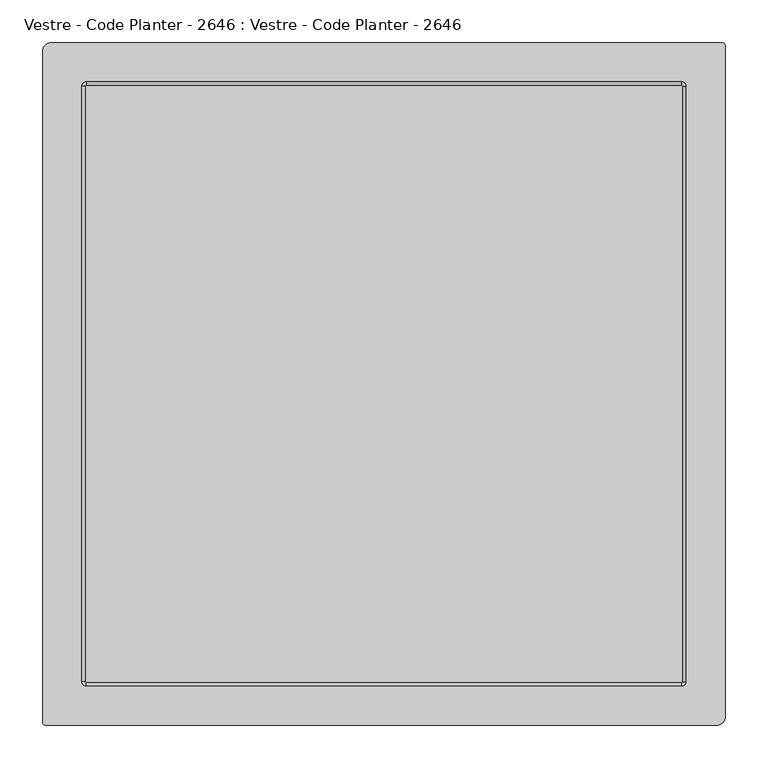
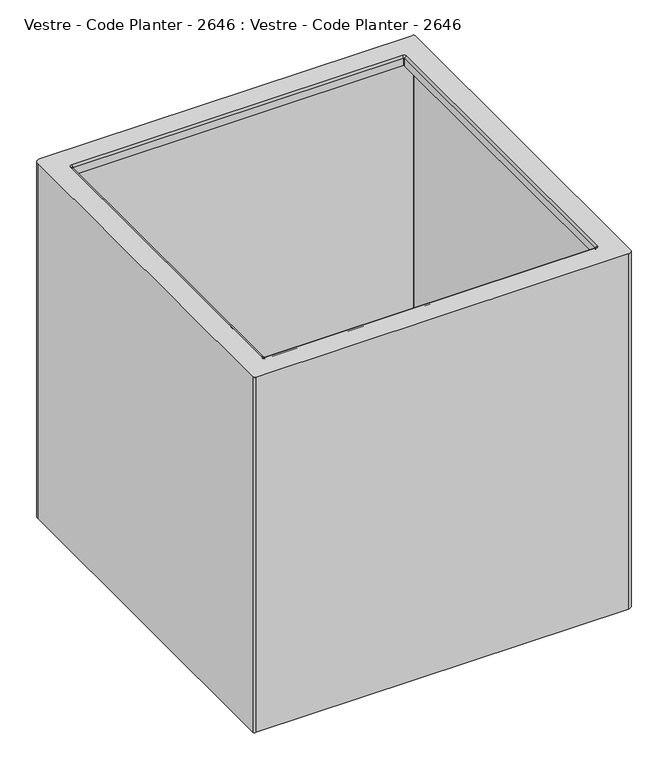
"""IFC4 building model written with IfcOpenShell, lengths in millimetres: furniture geometry, Vestre - Code Planter - 2646 : Vestre - Code Planter - 2646."""

from ifc_helpers import new_model, si_unit, point, frame, origin, place, context, project, spatial, polyline, circle_curve, ellipse_curve, trimmed, source, transform, mapped, element, save
from ifc_brep_helpers import plane_surface, cylinder_surface, revolved_surface, advanced_brep


def vestre_code_planter_2646_vestre_code_planter_2646_bf248767(model_context):
    return source(origin(), model_context, "Body", "AdvancedBrep", [
        advanced_brep(
        [(-390.5, 400.0, 808.475), (-400.5, 390.0, 808.475), (-400.5, -396.0, 808.475), (-396.5, -400.0, 808.475), (389.5, -400.0, 808.475), (399.5, -390.0, 808.475), (399.5, 396.0, 808.475), (395.5, 400.0, 808.475), (348.5, 354.0, 808.475), (353.5, 349.0, 808.475), (353.5, -349.0, 808.475), (348.5, -354.0, 808.475), (-349.5, -354.0, 808.475), (-354.5, -349.0, 808.475), (-354.5, 349.0, 808.475), (-349.5, 354.0, 808.475), (-390.5, 400.0, 16.475), (395.5, 400.0, 16.475), (399.5, 396.0, 16.475), (399.5, -390.0, 16.475), (389.5, -400.0, 16.475), (-396.5, -400.0, 16.475), (-400.5, -396.0, 16.475), (-400.5, 390.0, 16.475), (-371.0, 32.0, 16.475), (-371.0, 52.0, 16.475), (-375.5, 56.5, 16.475), (-380.0, 52.0, 16.475), (-380.0, 32.0, 16.475), (-371.0, -10.0, 16.475), (-371.0, 10.0, 16.475), (-375.5, 14.5, 16.475), (-380.0, 10.0, 16.475), (-380.0, -10.0, 16.475), (-371.0, -52.0, 16.475), (-371.0, -32.0, 16.475), (-375.5, -27.5, 16.475), (-380.0, -32.0, 16.475), (-380.0, -52.0, 16.475), (-32.5, 379.5, 16.475), (-52.5, 379.5, 16.475), (-52.5, 370.5, 16.475), (-32.5, 370.5, 16.475), (9.5, 379.5, 16.475), (-10.5, 379.5, 16.475), (-10.5, 370.5, 16.475), (9.5, 370.5, 16.475), (51.5, 379.5, 16.475), (31.5, 379.5, 16.475), (31.5, 370.5, 16.475), (51.5, 370.5, 16.475), (379.0, 32.0, 16.475), (379.0, 52.0, 16.475), (370.0, 52.0, 16.475), (370.0, 32.0, 16.475), (374.5, 27.5, 16.475), (379.0, -10.0, 16.475), (379.0, 10.0, 16.475), (370.0, 10.0, 16.475), (370.0, -10.0, 16.475), (374.5, -14.5, 16.475), (379.0, -52.0, 16.475), (379.0, -32.0, 16.475), (370.0, -32.0, 16.475), (370.0, -52.0, 16.475), (374.5, -56.5, 16.475), (31.5, -379.5, 16.475), (51.5, -379.5, 16.475), (51.5, -370.5, 16.475), (31.5, -370.5, 16.475), (-10.5, -379.5, 16.475), (9.5, -379.5, 16.475), (9.5, -370.5, 16.475), (-10.5, -370.5, 16.475), (-52.5, -379.5, 16.475), (-32.5, -379.5, 16.475), (-32.5, -370.5, 16.475), (-52.5, -370.5, 16.475), (-390.5, 397.0, 805.475), (-397.5, 390.0, 805.475), (-397.5, 390.0, 19.475), (-390.5, 397.0, 19.475), (395.5102868, 397.0, 805.475), (395.5102868, 397.0, 19.475), (396.5, 396.0102868, 805.475), (396.5, 396.0102868, 19.475), (396.5, -390.0300189, 805.475), (396.5, -390.0300189, 19.475), (389.5300189, -397.0, 805.475), (389.5300189, -397.0, 19.475), (-396.4943346, -397.0, 805.475), (-396.4943346, -397.0, 19.475), (-397.5, -395.9943346, 805.475), (-397.5, -395.9943346, 19.475), (353.5, 349.0, 805.475), (348.5, 354.0, 805.475), (-349.5, 354.0, 805.475), (-354.5, 349.0, 805.475), (-354.5, -349.0, 805.475), (-349.5, -354.0, 805.475), (348.5, -354.0, 805.475), (353.5, -349.0, 805.475), (352.5, 349.0, 788.475), (348.5, 353.0, 788.475), (348.5, 353.0, 804.475), (352.5, 349.0, 804.475), (349.5, 349.0, 804.475), (348.5, 350.0, 804.475), (348.5, 350.0, 788.475), (349.5, 349.0, 788.475), (352.5, -349.0, 804.475), (352.5, -349.0, 788.475), (349.5, -349.0, 788.475), (349.5, -349.0, 804.475), (348.5, -353.0, 804.475), (348.5, -353.0, 788.475), (348.5, -350.0, 788.475), (348.5, -350.0, 804.475), (-349.5, -353.0, 804.475), (-349.5, -353.0, 788.475), (-349.5, -350.0, 788.475), (-349.5, -350.0, 804.475), (-353.5, -349.0, 804.475), (-353.5, -349.0, 788.475), (-350.5, -349.0, 788.475), (-350.5, -349.0, 804.475), (-353.5, 349.0, 804.475), (-353.5, 349.0, 788.475), (-350.5, 349.0, 788.475), (-350.5, 349.0, 804.475), (-349.5, 353.0, 804.475), (-349.5, 353.0, 788.475), (-349.5, 350.0, 788.475), (-349.5, 350.0, 804.475), (-371.0, 32.0, 19.475), (-380.0, 32.0, 19.475), (-380.0, 52.0, 19.475), (-375.5, 56.5, 19.475), (-371.0, 52.0, 19.475), (-371.0, -10.0, 19.475), (-380.0, -10.0, 19.475), (-380.0, 10.0, 19.475), (-375.5, 14.5, 19.475), (-371.0, 10.0, 19.475), (-371.0, -52.0, 19.475), (-380.0, -52.0, 19.475), (-380.0, -32.0, 19.475), (-375.5, -27.5, 19.475), (-371.0, -32.0, 19.475), (-32.5, 379.5, 19.475), (-32.5, 370.5, 19.475), (-52.5, 370.5, 19.475), (-52.5, 379.5, 19.475), (9.5, 379.5, 19.475), (9.5, 370.5, 19.475), (-10.5, 370.5, 19.475), (-10.5, 379.5, 19.475), (51.5, 379.5, 19.475), (51.5, 370.5, 19.475), (31.5, 370.5, 19.475), (31.5, 379.5, 19.475), (379.0, 32.0, 19.475), (374.5, 27.5, 19.475), (370.0, 32.0, 19.475), (370.0, 52.0, 19.475), (379.0, 52.0, 19.475), (379.0, -10.0, 19.475), (374.5, -14.5, 19.475), (370.0, -10.0, 19.475), (370.0, 10.0, 19.475), (379.0, 10.0, 19.475), (379.0, -52.0, 19.475), (374.5, -56.5, 19.475), (370.0, -52.0, 19.475), (370.0, -32.0, 19.475), (379.0, -32.0, 19.475), (31.5, -379.5, 19.475), (31.5, -370.5, 19.475), (51.5, -370.5, 19.475), (51.5, -379.5, 19.475), (-10.5, -379.5, 19.475), (-10.5, -370.5, 19.475), (9.5, -370.5, 19.475), (9.5, -379.5, 19.475), (-52.5, -379.5, 19.475), (-52.5, -370.5, 19.475), (-32.5, -370.5, 19.475), (-32.5, -379.5, 19.475)],
        [
            (0, 1, circle_curve(frame((-390.5, 390.0, 808.475), z_axis=(0.0, 0.0, 1.0), x_axis=(1.0, 0.0, 0.0)), 10.0)),
            (1, 2),
            (2, 3, circle_curve(frame((-396.5, -396.0, 808.475), z_axis=(0.0, 0.0, 1.0), x_axis=(1.0, 0.0, 0.0)), 4.0)),
            (3, 4),
            (4, 5, circle_curve(frame((389.5, -390.0, 808.475), z_axis=(0.0, 0.0, 1.0), x_axis=(1.0, 0.0, 0.0)), 10.0)),
            (5, 6),
            (6, 7, circle_curve(frame((395.5, 396.0, 808.475), z_axis=(0.0, 0.0, 1.0), x_axis=(1.0, 0.0, 0.0)), 4.0)),
            (7, 0),
            (8, 9, circle_curve(frame((348.5, 349.0, 808.475), z_axis=(0.0, 0.0, -1.0), x_axis=(0.0, 1.0, 0.0)), 5.0)),
            (9, 10),
            (10, 11, circle_curve(frame((348.5, -349.0, 808.475), z_axis=(0.0, 0.0, -1.0), x_axis=(1.0, 0.0, 0.0)), 5.0)),
            (11, 12),
            (12, 13, circle_curve(frame((-349.5, -349.0, 808.475), z_axis=(0.0, 0.0, -1.0), x_axis=(0.0, -1.0, 0.0)), 5.0)),
            (13, 14),
            (14, 15, circle_curve(frame((-349.5, 349.0, 808.475), z_axis=(0.0, 0.0, -1.0), x_axis=(-1.0, 0.0, 0.0)), 5.0)),
            (15, 8),
            (16, 17),
            (17, 18, circle_curve(frame((395.5, 396.0, 16.475), z_axis=(0.0, 0.0, -1.0), x_axis=(1.0, 0.0, 0.0)), 4.0)),
            (18, 19),
            (19, 20, circle_curve(frame((389.5, -390.0, 16.475), z_axis=(0.0, 0.0, -1.0), x_axis=(1.0, 0.0, 0.0)), 10.0)),
            (20, 21),
            (21, 22, circle_curve(frame((-396.5, -396.0, 16.475), z_axis=(0.0, 0.0, -1.0), x_axis=(1.0, 0.0, 0.0)), 4.0)),
            (22, 23),
            (23, 16, circle_curve(frame((-390.5, 390.0, 16.475), z_axis=(0.0, 0.0, -1.0), x_axis=(1.0, 0.0, 0.0)), 10.0)),
            (24, 25),
            (25, 26, circle_curve(frame((-375.5, 52.0, 16.475), z_axis=(0.0, 0.0, 1.0), x_axis=(1.0, 0.0, 0.0)), 4.5)),
            (26, 27, circle_curve(frame((-375.5, 52.0, 16.475), z_axis=(0.0, 0.0, 1.0), x_axis=(0.0, 1.0, 0.0)), 4.5)),
            (27, 28),
            (28, 24, circle_curve(frame((-375.5, 32.0, 16.475), z_axis=(0.0, 0.0, 1.0), x_axis=(-1.0, 0.0, 0.0)), 4.5)),
            (29, 30),
            (30, 31, circle_curve(frame((-375.5, 10.0, 16.475), z_axis=(0.0, 0.0, 1.0), x_axis=(1.0, 0.0, 0.0)), 4.5)),
            (31, 32, circle_curve(frame((-375.5, 10.0, 16.475), z_axis=(0.0, 0.0, 1.0), x_axis=(0.0, 1.0, 0.0)), 4.5)),
            (32, 33),
            (33, 29, circle_curve(frame((-375.5, -10.0, 16.475), z_axis=(0.0, 0.0, 1.0), x_axis=(-1.0, 0.0, 0.0)), 4.5)),
            (34, 35),
            (35, 36, circle_curve(frame((-375.5, -32.0, 16.475), z_axis=(0.0, 0.0, 1.0), x_axis=(1.0, 0.0, 0.0)), 4.5)),
            (36, 37, circle_curve(frame((-375.5, -32.0, 16.475), z_axis=(0.0, 0.0, 1.0), x_axis=(0.0, 1.0, 0.0)), 4.5)),
            (37, 38),
            (38, 34, circle_curve(frame((-375.5, -52.0, 16.475), z_axis=(0.0, 0.0, 1.0), x_axis=(-1.0, 0.0, 0.0)), 4.5)),
            (39, 40),
            (40, 41, circle_curve(frame((-52.5, 375.0, 16.475), z_axis=(0.0, 0.0, 1.0), x_axis=(0.0, 1.0, 0.0)), 4.5)),
            (41, 42),
            (42, 39, circle_curve(frame((-32.5, 375.0, 16.475), z_axis=(0.0, 0.0, 1.0), x_axis=(0.0, -1.0, 0.0)), 4.5)),
            (43, 44),
            (44, 45, circle_curve(frame((-10.5, 375.0, 16.475), z_axis=(0.0, 0.0, 1.0), x_axis=(0.0, 1.0, 0.0)), 4.5)),
            (45, 46),
            (46, 43, circle_curve(frame((9.5, 375.0, 16.475), z_axis=(0.0, 0.0, 1.0), x_axis=(0.0, -1.0, 0.0)), 4.5)),
            (47, 48),
            (48, 49, circle_curve(frame((31.5, 375.0, 16.475), z_axis=(0.0, 0.0, 1.0), x_axis=(0.0, 1.0, 0.0)), 4.5)),
            (49, 50),
            (50, 47, circle_curve(frame((51.5, 375.0, 16.475), z_axis=(0.0, 0.0, 1.0), x_axis=(0.0, -1.0, 0.0)), 4.5)),
            (51, 52),
            (52, 53, circle_curve(frame((374.5, 52.0, 16.475), z_axis=(0.0, 0.0, 1.0), x_axis=(1.0, 0.0, 0.0)), 4.5)),
            (53, 54),
            (54, 55, circle_curve(frame((374.5, 32.0, 16.475), z_axis=(0.0, 0.0, 1.0), x_axis=(-1.0, 0.0, 0.0)), 4.5)),
            (55, 51, circle_curve(frame((374.5, 32.0, 16.475), z_axis=(0.0, 0.0, 1.0), x_axis=(0.0, -1.0, 0.0)), 4.5)),
            (56, 57),
            (57, 58, circle_curve(frame((374.5, 10.0, 16.475), z_axis=(0.0, 0.0, 1.0), x_axis=(1.0, 0.0, 0.0)), 4.5)),
            (58, 59),
            (59, 60, circle_curve(frame((374.5, -10.0, 16.475), z_axis=(0.0, 0.0, 1.0), x_axis=(-1.0, 0.0, 0.0)), 4.5)),
            (60, 56, circle_curve(frame((374.5, -10.0, 16.475), z_axis=(0.0, 0.0, 1.0), x_axis=(0.0, -1.0, 0.0)), 4.5)),
            (61, 62),
            (62, 63, circle_curve(frame((374.5, -32.0, 16.475), z_axis=(0.0, 0.0, 1.0), x_axis=(1.0, 0.0, 0.0)), 4.5)),
            (63, 64),
            (64, 65, circle_curve(frame((374.5, -52.0, 16.475), z_axis=(0.0, 0.0, 1.0), x_axis=(-1.0, 0.0, 0.0)), 4.5)),
            (65, 61, circle_curve(frame((374.5, -52.0, 16.475), z_axis=(0.0, 0.0, 1.0), x_axis=(0.0, -1.0, 0.0)), 4.5)),
            (66, 67),
            (67, 68, circle_curve(frame((51.5, -375.0, 16.475), z_axis=(0.0, 0.0, 1.0), x_axis=(0.0, -1.0, 0.0)), 4.5)),
            (68, 69),
            (69, 66, circle_curve(frame((31.5, -375.0, 16.475), z_axis=(0.0, 0.0, 1.0), x_axis=(0.0, 1.0, 0.0)), 4.5)),
            (70, 71),
            (71, 72, circle_curve(frame((9.5, -375.0, 16.475), z_axis=(0.0, 0.0, 1.0), x_axis=(0.0, -1.0, 0.0)), 4.5)),
            (72, 73),
            (73, 70, circle_curve(frame((-10.5, -375.0, 16.475), z_axis=(0.0, 0.0, 1.0), x_axis=(0.0, 1.0, 0.0)), 4.5)),
            (74, 75),
            (75, 76, circle_curve(frame((-32.5, -375.0, 16.475), z_axis=(0.0, 0.0, 1.0), x_axis=(0.0, -1.0, 0.0)), 4.5)),
            (76, 77),
            (77, 74, circle_curve(frame((-52.5, -375.0, 16.475), z_axis=(0.0, 0.0, 1.0), x_axis=(0.0, 1.0, 0.0)), 4.5)),
            (0, 16),
            (23, 1),
            (22, 2),
            (21, 3),
            (20, 4),
            (19, 5),
            (18, 6),
            (17, 7),
            (78, 79, circle_curve(frame((-390.5, 390.0, 805.475), z_axis=(0.0, 0.0, 1.0), x_axis=(1.0, 0.0, 0.0)), 7.0)),
            (79, 80),
            (80, 81, circle_curve(frame((-390.5, 390.0, 19.475), z_axis=(0.0, 0.0, -1.0), x_axis=(1.0, 0.0, 0.0)), 7.0)),
            (81, 78),
            (82, 78),
            (81, 83),
            (83, 82),
            (84, 82, circle_curve(frame((395.5102868, 396.0102868, 805.475), z_axis=(0.0, 0.0, 1.0), x_axis=(1.0, 0.0, 0.0)), 0.9897132)),
            (83, 85, circle_curve(frame((395.5102868, 396.0102868, 19.475), z_axis=(0.0, 0.0, -1.0), x_axis=(1.0, 0.0, 0.0)), 0.9897132)),
            (85, 84),
            (86, 84),
            (85, 87),
            (87, 86),
            (88, 86, circle_curve(frame((389.5300189, -390.0300189, 805.475), z_axis=(0.0, 0.0, 1.0), x_axis=(1.0, 0.0, 0.0)), 6.9699811)),
            (87, 89, circle_curve(frame((389.5300189, -390.0300189, 19.475), z_axis=(0.0, 0.0, -1.0), x_axis=(1.0, 0.0, 0.0)), 6.9699811)),
            (89, 88),
            (90, 88),
            (89, 91),
            (91, 90),
            (92, 90, circle_curve(frame((-396.4943346, -395.9943346, 805.475), z_axis=(0.0, 0.0, 1.0), x_axis=(1.0, 0.0, 0.0)), 1.0056654)),
            (91, 93, circle_curve(frame((-396.4943346, -395.9943346, 19.475), z_axis=(0.0, 0.0, -1.0), x_axis=(1.0, 0.0, 0.0)), 1.0056654)),
            (93, 92),
            (79, 92),
            (93, 80),
            (94, 95, circle_curve(frame((348.5, 349.0, 805.475), z_axis=(0.0, 0.0, 1.0), x_axis=(0.0, 1.0, 0.0)), 5.0)),
            (95, 96),
            (96, 97, circle_curve(frame((-349.5, 349.0, 805.475), z_axis=(0.0, 0.0, 1.0), x_axis=(-1.0, 0.0, 0.0)), 5.0)),
            (97, 98),
            (98, 99, circle_curve(frame((-349.5, -349.0, 805.475), z_axis=(0.0, 0.0, 1.0), x_axis=(0.0, -1.0, 0.0)), 5.0)),
            (99, 100),
            (100, 101, circle_curve(frame((348.5, -349.0, 805.475), z_axis=(0.0, 0.0, 1.0), x_axis=(1.0, 0.0, 0.0)), 5.0)),
            (101, 94),
            (102, 103, circle_curve(frame((348.5, 349.0, 788.475), z_axis=(0.0, 0.0, 1.0), x_axis=(0.0, 1.0, 0.0)), 4.0)),
            (103, 104),
            (104, 105, circle_curve(frame((348.5, 349.0, 804.475), z_axis=(0.0, 0.0, -1.0), x_axis=(0.0, 1.0, 0.0)), 4.0)),
            (105, 102),
            (106, 107, circle_curve(frame((348.5, 349.0, 804.475), z_axis=(0.0, 0.0, 1.0), x_axis=(0.0, 1.0, 0.0)), 1.0)),
            (107, 108),
            (108, 109, circle_curve(frame((348.5, 349.0, 788.475), z_axis=(0.0, 0.0, -1.0), x_axis=(0.0, 1.0, 0.0)), 1.0)),
            (109, 106),
            (106, 9, circle_curve(frame((353.5, 349.0, 804.475), z_axis=(0.0, 1.0, 0.0), x_axis=(-1.0, 0.0, 0.0)), 4.0)),
            (8, 107, circle_curve(frame((348.5, 354.0, 804.475), z_axis=(1.0, 0.0, 0.0), x_axis=(0.0, -1.0, 0.0)), 4.0)),
            (104, 95, circle_curve(frame((348.5, 354.0, 804.475), z_axis=(-1.0, 0.0, 0.0), x_axis=(0.0, -1.0, 0.0)), 1.0)),
            (94, 105, circle_curve(frame((353.5, 349.0, 804.475), z_axis=(0.0, -1.0, 0.0), x_axis=(-1.0, 0.0, 0.0)), 1.0)),
            (105, 110),
            (110, 111),
            (111, 102),
            (109, 112),
            (112, 113),
            (113, 106),
            (113, 10, circle_curve(frame((353.5, -349.0, 804.475), z_axis=(0.0, 1.0, 0.0), x_axis=(-1.0, 0.0, 0.0)), 4.0)),
            (101, 110, circle_curve(frame((353.5, -349.0, 804.475), z_axis=(0.0, -1.0, 0.0), x_axis=(-1.0, 0.0, 0.0)), 1.0)),
            (110, 114, circle_curve(frame((348.5, -349.0, 804.475), z_axis=(0.0, 0.0, -1.0), x_axis=(1.0, 0.0, 0.0)), 4.0)),
            (114, 115),
            (115, 111, circle_curve(frame((348.5, -349.0, 788.475), z_axis=(0.0, 0.0, 1.0), x_axis=(1.0, 0.0, 0.0)), 4.0)),
            (112, 116, circle_curve(frame((348.5, -349.0, 788.475), z_axis=(0.0, 0.0, -1.0), x_axis=(1.0, 0.0, 0.0)), 1.0)),
            (116, 117),
            (117, 113, circle_curve(frame((348.5, -349.0, 804.475), z_axis=(0.0, 0.0, 1.0), x_axis=(1.0, 0.0, 0.0)), 1.0)),
            (117, 11, circle_curve(frame((348.5, -354.0, 804.475), z_axis=(1.0, 0.0, 0.0), x_axis=(0.0, 1.0, 0.0)), 4.0)),
            (100, 114, circle_curve(frame((348.5, -354.0, 804.475), z_axis=(-1.0, 0.0, 0.0), x_axis=(0.0, 1.0, 0.0)), 1.0)),
            (114, 118),
            (118, 119),
            (119, 115),
            (116, 120),
            (120, 121),
            (121, 117),
            (121, 12, circle_curve(frame((-349.5, -354.0, 804.475), z_axis=(1.0, 0.0, 0.0), x_axis=(0.0, 1.0, 0.0)), 4.0)),
            (99, 118, circle_curve(frame((-349.5, -354.0, 804.475), z_axis=(-1.0, 0.0, 0.0), x_axis=(0.0, 1.0, 0.0)), 1.0)),
            (118, 122, circle_curve(frame((-349.5, -349.0, 804.475), z_axis=(0.0, 0.0, -1.0), x_axis=(0.0, -1.0, 0.0)), 4.0)),
            (122, 123),
            (123, 119, circle_curve(frame((-349.5, -349.0, 788.475), z_axis=(0.0, 0.0, 1.0), x_axis=(0.0, -1.0, 0.0)), 4.0)),
            (120, 124, circle_curve(frame((-349.5, -349.0, 788.475), z_axis=(0.0, 0.0, -1.0), x_axis=(0.0, -1.0, 0.0)), 1.0)),
            (124, 125),
            (125, 121, circle_curve(frame((-349.5, -349.0, 804.475), z_axis=(0.0, 0.0, 1.0), x_axis=(0.0, -1.0, 0.0)), 1.0)),
            (125, 13, circle_curve(frame((-354.5, -349.0, 804.475), z_axis=(0.0, -1.0, 0.0), x_axis=(1.0, 0.0, 0.0)), 4.0)),
            (98, 122, circle_curve(frame((-354.5, -349.0, 804.475), z_axis=(0.0, 1.0, 0.0), x_axis=(1.0, 0.0, 0.0)), 1.0)),
            (122, 126),
            (126, 127),
            (127, 123),
            (124, 128),
            (128, 129),
            (129, 125),
            (129, 14, circle_curve(frame((-354.5, 349.0, 804.475), z_axis=(0.0, -1.0, 0.0), x_axis=(1.0, 0.0, 0.0)), 4.0)),
            (97, 126, circle_curve(frame((-354.5, 349.0, 804.475), z_axis=(0.0, 1.0, 0.0), x_axis=(1.0, 0.0, 0.0)), 1.0)),
            (126, 130, circle_curve(frame((-349.5, 349.0, 804.475), z_axis=(0.0, 0.0, -1.0), x_axis=(-1.0, 0.0, 0.0)), 4.0)),
            (130, 131),
            (131, 127, circle_curve(frame((-349.5, 349.0, 788.475), z_axis=(0.0, 0.0, 1.0), x_axis=(-1.0, 0.0, 0.0)), 4.0)),
            (128, 132, circle_curve(frame((-349.5, 349.0, 788.475), z_axis=(0.0, 0.0, -1.0), x_axis=(-1.0, 0.0, 0.0)), 1.0)),
            (132, 133),
            (133, 129, circle_curve(frame((-349.5, 349.0, 804.475), z_axis=(0.0, 0.0, 1.0), x_axis=(-1.0, 0.0, 0.0)), 1.0)),
            (133, 15, circle_curve(frame((-349.5, 354.0, 804.475), z_axis=(-1.0, 0.0, 0.0), x_axis=(0.0, -1.0, 0.0)), 4.0)),
            (96, 130, circle_curve(frame((-349.5, 354.0, 804.475), z_axis=(1.0, 0.0, 0.0), x_axis=(0.0, -1.0, 0.0)), 1.0)),
            (103, 131),
            (130, 104),
            (108, 132),
            (107, 133),
            (134, 135, circle_curve(frame((-375.5, 32.0, 19.475), z_axis=(0.0, 0.0, -1.0), x_axis=(-1.0, 0.0, 0.0)), 4.5)),
            (135, 136),
            (136, 137, circle_curve(frame((-375.5, 52.0, 19.475), z_axis=(0.0, 0.0, -1.0), x_axis=(0.0, 1.0, 0.0)), 4.5)),
            (137, 138, circle_curve(frame((-375.5, 52.0, 19.475), z_axis=(0.0, 0.0, -1.0), x_axis=(1.0, 0.0, 0.0)), 4.5)),
            (138, 134),
            (139, 140, circle_curve(frame((-375.5, -10.0, 19.475), z_axis=(0.0, 0.0, -1.0), x_axis=(-1.0, 0.0, 0.0)), 4.5)),
            (140, 141),
            (141, 142, circle_curve(frame((-375.5, 10.0, 19.475), z_axis=(0.0, 0.0, -1.0), x_axis=(0.0, 1.0, 0.0)), 4.5)),
            (142, 143, circle_curve(frame((-375.5, 10.0, 19.475), z_axis=(0.0, 0.0, -1.0), x_axis=(1.0, 0.0, 0.0)), 4.5)),
            (143, 139),
            (144, 145, circle_curve(frame((-375.5, -52.0, 19.475), z_axis=(0.0, 0.0, -1.0), x_axis=(-1.0, 0.0, 0.0)), 4.5)),
            (145, 146),
            (146, 147, circle_curve(frame((-375.5, -32.0, 19.475), z_axis=(0.0, 0.0, -1.0), x_axis=(0.0, 1.0, 0.0)), 4.5)),
            (147, 148, circle_curve(frame((-375.5, -32.0, 19.475), z_axis=(0.0, 0.0, -1.0), x_axis=(1.0, 0.0, 0.0)), 4.5)),
            (148, 144),
            (149, 150, circle_curve(frame((-32.5, 375.0, 19.475), z_axis=(0.0, 0.0, -1.0), x_axis=(0.0, -1.0, 0.0)), 4.5)),
            (150, 151),
            (151, 152, circle_curve(frame((-52.5, 375.0, 19.475), z_axis=(0.0, 0.0, -1.0), x_axis=(0.0, 1.0, 0.0)), 4.5)),
            (152, 149),
            (153, 154, circle_curve(frame((9.5, 375.0, 19.475), z_axis=(0.0, 0.0, -1.0), x_axis=(0.0, -1.0, 0.0)), 4.5)),
            (154, 155),
            (155, 156, circle_curve(frame((-10.5, 375.0, 19.475), z_axis=(0.0, 0.0, -1.0), x_axis=(0.0, 1.0, 0.0)), 4.5)),
            (156, 153),
            (157, 158, circle_curve(frame((51.5, 375.0, 19.475), z_axis=(0.0, 0.0, -1.0), x_axis=(0.0, -1.0, 0.0)), 4.5)),
            (158, 159),
            (159, 160, circle_curve(frame((31.5, 375.0, 19.475), z_axis=(0.0, 0.0, -1.0), x_axis=(0.0, 1.0, 0.0)), 4.5)),
            (160, 157),
            (161, 162, circle_curve(frame((374.5, 32.0, 19.475), z_axis=(0.0, 0.0, -1.0), x_axis=(0.0, -1.0, 0.0)), 4.5)),
            (162, 163, circle_curve(frame((374.5, 32.0, 19.475), z_axis=(0.0, 0.0, -1.0), x_axis=(-1.0, 0.0, 0.0)), 4.5)),
            (163, 164),
            (164, 165, circle_curve(frame((374.5, 52.0, 19.475), z_axis=(0.0, 0.0, -1.0), x_axis=(1.0, 0.0, 0.0)), 4.5)),
            (165, 161),
            (166, 167, circle_curve(frame((374.5, -10.0, 19.475), z_axis=(0.0, 0.0, -1.0), x_axis=(0.0, -1.0, 0.0)), 4.5)),
            (167, 168, circle_curve(frame((374.5, -10.0, 19.475), z_axis=(0.0, 0.0, -1.0), x_axis=(-1.0, 0.0, 0.0)), 4.5)),
            (168, 169),
            (169, 170, circle_curve(frame((374.5, 10.0, 19.475), z_axis=(0.0, 0.0, -1.0), x_axis=(1.0, 0.0, 0.0)), 4.5)),
            (170, 166),
            (171, 172, circle_curve(frame((374.5, -52.0, 19.475), z_axis=(0.0, 0.0, -1.0), x_axis=(0.0, -1.0, 0.0)), 4.5)),
            (172, 173, circle_curve(frame((374.5, -52.0, 19.475), z_axis=(0.0, 0.0, -1.0), x_axis=(-1.0, 0.0, 0.0)), 4.5)),
            (173, 174),
            (174, 175, circle_curve(frame((374.5, -32.0, 19.475), z_axis=(0.0, 0.0, -1.0), x_axis=(1.0, 0.0, 0.0)), 4.5)),
            (175, 171),
            (176, 177, circle_curve(frame((31.5, -375.0, 19.475), z_axis=(0.0, 0.0, -1.0), x_axis=(0.0, 1.0, 0.0)), 4.5)),
            (177, 178),
            (178, 179, circle_curve(frame((51.5, -375.0, 19.475), z_axis=(0.0, 0.0, -1.0), x_axis=(0.0, -1.0, 0.0)), 4.5)),
            (179, 176),
            (180, 181, circle_curve(frame((-10.5, -375.0, 19.475), z_axis=(0.0, 0.0, -1.0), x_axis=(0.0, 1.0, 0.0)), 4.5)),
            (181, 182),
            (182, 183, circle_curve(frame((9.5, -375.0, 19.475), z_axis=(0.0, 0.0, -1.0), x_axis=(0.0, -1.0, 0.0)), 4.5)),
            (183, 180),
            (184, 185, circle_curve(frame((-52.5, -375.0, 19.475), z_axis=(0.0, 0.0, -1.0), x_axis=(0.0, 1.0, 0.0)), 4.5)),
            (185, 186),
            (186, 187, circle_curve(frame((-32.5, -375.0, 19.475), z_axis=(0.0, 0.0, -1.0), x_axis=(0.0, -1.0, 0.0)), 4.5)),
            (187, 184),
            (134, 24),
            (28, 135),
            (27, 136),
            (26, 137),
            (25, 138),
            (139, 29),
            (33, 140),
            (32, 141),
            (31, 142),
            (30, 143),
            (144, 34),
            (38, 145),
            (37, 146),
            (36, 147),
            (35, 148),
            (149, 39),
            (42, 150),
            (41, 151),
            (40, 152),
            (153, 43),
            (46, 154),
            (45, 155),
            (44, 156),
            (157, 47),
            (50, 158),
            (49, 159),
            (48, 160),
            (161, 51),
            (55, 162),
            (54, 163),
            (53, 164),
            (52, 165),
            (166, 56),
            (60, 167),
            (59, 168),
            (58, 169),
            (57, 170),
            (171, 61),
            (65, 172),
            (64, 173),
            (63, 174),
            (62, 175),
            (176, 66),
            (69, 177),
            (68, 178),
            (67, 179),
            (180, 70),
            (73, 181),
            (72, 182),
            (71, 183),
            (184, 74),
            (77, 185),
            (76, 186),
            (75, 187),
        ],
        [
            plane_surface(frame((-380.5, 390.0, 808.475), z_axis=(0.0, 0.0, 1.0), x_axis=(0.0, 1.0, 0.0))),
            plane_surface(frame((-380.5, 390.0, 16.475), z_axis=(0.0, 0.0, -1.0), x_axis=(0.0, -1.0, 0.0))),
            cylinder_surface(frame((-390.5, 390.0, 16.475), z_axis=(0.0, 0.0, 1.0), x_axis=(1.0, 0.0, 0.0)), 10.0),
            plane_surface(frame((-400.5, 390.0, 808.475), z_axis=(-1.0, 0.0, 0.0), x_axis=(0.0, 0.0, -1.0))),
            cylinder_surface(frame((-396.5, -396.0, 16.475), z_axis=(0.0, 0.0, 1.0), x_axis=(1.0, 0.0, 0.0)), 4.0),
            plane_surface(frame((-396.5, -400.0, 808.475), z_axis=(0.0, -1.0, 0.0), x_axis=(0.0, 0.0, -1.0))),
            cylinder_surface(frame((389.5, -390.0, 16.475), z_axis=(0.0, 0.0, 1.0), x_axis=(1.0, 0.0, 0.0)), 10.0),
            plane_surface(frame((399.5, -390.0, 808.475), z_axis=(1.0, 0.0, 0.0), x_axis=(0.0, 0.0, -1.0))),
            cylinder_surface(frame((395.5, 396.0, 16.475), z_axis=(0.0, 0.0, 1.0), x_axis=(1.0, 0.0, 0.0)), 4.0),
            plane_surface(frame((395.5, 400.0, 808.475), z_axis=(0.0, 1.0, 0.0), x_axis=(0.0, 0.0, -1.0))),
            revolved_surface(polyline([(-383.5, 390.0, 19.475), (-383.5, 390.0, 805.475)]), (-390.5, 390.0, 0.0), (0.0, 0.0, -1.0)),
            plane_surface(frame((-390.5, 397.0, 808.475), z_axis=(0.0, -1.0, 0.0), x_axis=(0.0, 0.0, -1.0))),
            revolved_surface(polyline([(396.5, 396.0102868, 19.475), (396.5, 396.0102868, 805.475)]), (395.5102868, 396.0102868, 0.0), (0.0, 0.0, -1.0)),
            plane_surface(frame((396.5, 396.0102868, 808.475), z_axis=(-1.0, 0.0, 0.0), x_axis=(0.0, 0.0, -1.0))),
            revolved_surface(polyline([(396.5, -390.0300189, 19.475), (396.5, -390.0300189, 805.475)]), (389.5300189, -390.0300189, 0.0), (0.0, 0.0, -1.0)),
            plane_surface(frame((389.5300189, -397.0, 808.475), z_axis=(0.0, 1.0, 0.0), x_axis=(0.0, 0.0, -1.0))),
            revolved_surface(polyline([(-395.4886692, -395.9943346, 19.475), (-395.4886692, -395.9943346, 805.475)]), (-396.4943346, -395.9943346, 0.0), (0.0, 0.0, -1.0)),
            plane_surface(frame((-397.5, -395.9943346, 808.475), z_axis=(1.0, 0.0, 0.0), x_axis=(0.0, 0.0, -1.0))),
            plane_surface(frame((-397.5, -395.9943346, 805.475), z_axis=(0.0, 0.0, -1.0), x_axis=(0.0, 1.0, 0.0))),
            cylinder_surface(frame((348.5, 349.0, 0.0), z_axis=(0.0, 0.0, -1.0), x_axis=(0.0, 1.0, 0.0)), 4.0),
            revolved_surface(polyline([(348.5, 350.0, 788.475), (348.5, 350.0, 804.475)]), (348.5, 349.0, 0.0), (0.0, 0.0, -1.0)),
            revolved_surface(trimmed(ellipse_curve(frame((348.5, 354.0, 804.475), z_axis=(-1.0, 0.0, 0.0), x_axis=(0.0, -1.0, 0.0)), 4.0, 4.0), [point((348.5, 350.0, 804.475))], [point((348.5, 354.0, 808.475))], True, "CARTESIAN"), (348.5, 349.0, 0.0), (0.0, 0.0, -1.0)),
            revolved_surface(trimmed(ellipse_curve(frame((348.5, 354.0, 804.475), z_axis=(1.0, 0.0, 0.0), x_axis=(0.0, -1.0, 0.0)), 1.0, 1.0), [point((348.5, 354.0, 805.475))], [point((348.5, 353.0, 804.475))], True, "CARTESIAN"), (348.5, 349.0, 0.0), (0.0, 0.0, -1.0)),
            plane_surface(frame((352.5, 349.0, 804.475), z_axis=(1.0, 0.0, 0.0), x_axis=(0.0, -1.0, 0.0))),
            plane_surface(frame((349.5, 349.0, 788.475), z_axis=(-1.0, 0.0, 0.0), x_axis=(0.0, -1.0, 0.0))),
            cylinder_surface(frame((353.5, 349.0, 804.475), z_axis=(0.0, 1.0, 0.0), x_axis=(-1.0, 0.0, 0.0)), 4.0),
            revolved_surface(polyline([(352.5, -349.0, 804.475), (352.5, 349.0, 804.475)]), (353.5, 349.0, 804.475), (0.0, -1.0, 0.0)),
            cylinder_surface(frame((348.5, -349.0, 0.0), z_axis=(0.0, 0.0, -1.0), x_axis=(1.0, 0.0, 0.0)), 4.0),
            revolved_surface(polyline([(349.5, -349.0, 788.475), (349.5, -349.0, 804.475)]), (348.5, -349.0, 0.0), (0.0, 0.0, -1.0)),
            revolved_surface(trimmed(ellipse_curve(frame((353.5, -349.0, 804.475), z_axis=(0.0, 1.0, 0.0), x_axis=(-1.0, 0.0, 0.0)), 4.0, 4.0), [point((349.5, -349.0, 804.475))], [point((353.5, -349.0, 808.475))], True, "CARTESIAN"), (348.5, -349.0, 0.0), (0.0, 0.0, -1.0)),
            revolved_surface(trimmed(ellipse_curve(frame((353.5, -349.0, 804.475), z_axis=(0.0, -1.0, 0.0), x_axis=(-1.0, 0.0, 0.0)), 1.0, 1.0), [point((353.5, -349.0, 805.475))], [point((352.5, -349.0, 804.475))], True, "CARTESIAN"), (348.5, -349.0, 0.0), (0.0, 0.0, -1.0)),
            plane_surface(frame((348.5, -353.0, 804.475), z_axis=(0.0, -1.0, 0.0), x_axis=(-1.0, 0.0, 0.0))),
            plane_surface(frame((348.5, -350.0, 788.475), z_axis=(0.0, 1.0, 0.0), x_axis=(-1.0, 0.0, 0.0))),
            cylinder_surface(frame((348.5, -354.0, 804.475), z_axis=(1.0, 0.0, 0.0), x_axis=(0.0, 1.0, 0.0)), 4.0),
            revolved_surface(polyline([(-349.5, -353.0, 804.475), (348.5, -353.0, 804.475)]), (348.5, -354.0, 804.475), (-1.0, 0.0, 0.0)),
            cylinder_surface(frame((-349.5, -349.0, 0.0), z_axis=(0.0, 0.0, -1.0), x_axis=(0.0, -1.0, 0.0)), 4.0),
            revolved_surface(polyline([(-349.5, -350.0, 788.475), (-349.5, -350.0, 804.475)]), (-349.5, -349.0, 0.0), (0.0, 0.0, -1.0)),
            revolved_surface(trimmed(ellipse_curve(frame((-349.5, -354.0, 804.475), z_axis=(1.0, 0.0, 0.0), x_axis=(0.0, 1.0, 0.0)), 4.0, 4.0), [point((-349.5, -350.0, 804.475))], [point((-349.5, -354.0, 808.475))], True, "CARTESIAN"), (-349.5, -349.0, 0.0), (0.0, 0.0, -1.0)),
            revolved_surface(trimmed(ellipse_curve(frame((-349.5, -354.0, 804.475), z_axis=(-1.0, 0.0, 0.0), x_axis=(0.0, 1.0, 0.0)), 1.0, 1.0), [point((-349.5, -354.0, 805.475))], [point((-349.5, -353.0, 804.475))], True, "CARTESIAN"), (-349.5, -349.0, 0.0), (0.0, 0.0, -1.0)),
            plane_surface(frame((-353.5, -349.0, 804.475), z_axis=(-1.0, 0.0, 0.0), x_axis=(0.0, 1.0, 0.0))),
            plane_surface(frame((-350.5, -349.0, 788.475), z_axis=(1.0, 0.0, 0.0), x_axis=(0.0, 1.0, 0.0))),
            cylinder_surface(frame((-354.5, -349.0, 804.475), z_axis=(0.0, -1.0, 0.0), x_axis=(1.0, 0.0, 0.0)), 4.0),
            revolved_surface(polyline([(-353.5, 349.0, 804.475), (-353.5, -349.0, 804.475)]), (-354.5, -349.0, 804.475), (0.0, 1.0, 0.0)),
            cylinder_surface(frame((-349.5, 349.0, 0.0), z_axis=(0.0, 0.0, -1.0), x_axis=(-1.0, 0.0, 0.0)), 4.0),
            revolved_surface(polyline([(-350.5, 349.0, 788.475), (-350.5, 349.0, 804.475)]), (-349.5, 349.0, 0.0), (0.0, 0.0, -1.0)),
            revolved_surface(trimmed(ellipse_curve(frame((-354.5, 349.0, 804.475), z_axis=(0.0, -1.0, 0.0), x_axis=(1.0, 0.0, 0.0)), 4.0, 4.0), [point((-350.5, 349.0, 804.475))], [point((-354.5, 349.0, 808.475))], True, "CARTESIAN"), (-349.5, 349.0, 0.0), (0.0, 0.0, -1.0)),
            revolved_surface(trimmed(ellipse_curve(frame((-354.5, 349.0, 804.475), z_axis=(0.0, 1.0, 0.0), x_axis=(1.0, 0.0, 0.0)), 1.0, 1.0), [point((-354.5, 349.0, 805.475))], [point((-353.5, 349.0, 804.475))], True, "CARTESIAN"), (-349.5, 349.0, 0.0), (0.0, 0.0, -1.0)),
            plane_surface(frame((-349.5, 353.0, 804.475), z_axis=(0.0, 1.0, 0.0), x_axis=(1.0, 0.0, 0.0))),
            plane_surface(frame((-349.5, 353.0, 788.475), z_axis=(0.0, 0.0, -1.0), x_axis=(1.0, 0.0, 0.0))),
            plane_surface(frame((-349.5, 350.0, 788.475), z_axis=(0.0, -1.0, 0.0), x_axis=(1.0, 0.0, 0.0))),
            cylinder_surface(frame((-349.5, 354.0, 804.475), z_axis=(-1.0, 0.0, 0.0), x_axis=(0.0, -1.0, 0.0)), 4.0),
            revolved_surface(polyline([(348.5, 353.0, 804.475), (-349.5, 353.0, 804.475)]), (-349.5, 354.0, 804.475), (1.0, 0.0, 0.0)),
            plane_surface(frame((-397.5, -395.9943346, 19.475), z_axis=(0.0, 0.0, 1.0), x_axis=(0.0, -1.0, 0.0))),
            revolved_surface(polyline([(-380.0, 32.0, 16.475000000000023), (-380.0, 32.0, 19.475000000000023)]), (-375.5, 32.0, -789.0), (0.0, 0.0, -1.0)),
            plane_surface(frame((-380.0, 32.0, 19.475), z_axis=(1.0, 0.0, 0.0), x_axis=(0.0, 0.0, -1.0))),
            revolved_surface(polyline([(-375.5, 56.5, 16.475000000000023), (-375.5, 56.5, 19.475000000000023)]), (-375.5, 52.0, -789.0), (0.0, 0.0, -1.0)),
            revolved_surface(polyline([(-371.0, 52.0, 16.475000000000023), (-371.0, 52.0, 19.475000000000023)]), (-375.5, 52.0, -789.0), (0.0, 0.0, -1.0)),
            plane_surface(frame((-371.0, 52.0, 19.475), z_axis=(-1.0, 0.0, 0.0), x_axis=(0.0, 0.0, -1.0))),
            revolved_surface(polyline([(-380.0, -10.0, 16.475000000000023), (-380.0, -10.0, 19.475000000000023)]), (-375.5, -10.0, -789.0), (0.0, 0.0, -1.0)),
            plane_surface(frame((-380.0, -10.0, 19.475), z_axis=(1.0, 0.0, 0.0), x_axis=(0.0, 0.0, -1.0))),
            revolved_surface(polyline([(-375.5, 14.5, 16.475000000000023), (-375.5, 14.5, 19.475000000000023)]), (-375.5, 10.0, -789.0), (0.0, 0.0, -1.0)),
            revolved_surface(polyline([(-371.0, 10.0, 16.475000000000023), (-371.0, 10.0, 19.475000000000023)]), (-375.5, 10.0, -789.0), (0.0, 0.0, -1.0)),
            plane_surface(frame((-371.0, 10.0, 19.475), z_axis=(-1.0, 0.0, 0.0), x_axis=(0.0, 0.0, -1.0))),
            revolved_surface(polyline([(-380.0, -52.0, 16.475000000000023), (-380.0, -52.0, 19.475000000000023)]), (-375.5, -52.0, -789.0), (0.0, 0.0, -1.0)),
            plane_surface(frame((-380.0, -52.0, 19.475), z_axis=(1.0, 0.0, 0.0), x_axis=(0.0, 0.0, -1.0))),
            revolved_surface(polyline([(-375.5, -27.5, 16.475000000000023), (-375.5, -27.5, 19.475000000000023)]), (-375.5, -32.0, -789.0), (0.0, 0.0, -1.0)),
            revolved_surface(polyline([(-371.0, -32.0, 16.475000000000023), (-371.0, -32.0, 19.475000000000023)]), (-375.5, -32.0, -789.0), (0.0, 0.0, -1.0)),
            plane_surface(frame((-371.0, -32.0, 19.475), z_axis=(-1.0, 0.0, 0.0), x_axis=(0.0, 0.0, -1.0))),
            revolved_surface(polyline([(-32.5, 370.5, 16.475000000000023), (-32.5, 370.5, 19.475000000000023)]), (-32.5, 375.0, -789.0), (0.0, 0.0, -1.0)),
            plane_surface(frame((-32.5, 370.5, 19.475), z_axis=(0.0, 1.0, 0.0), x_axis=(0.0, 0.0, -1.0))),
            revolved_surface(polyline([(-52.5, 379.5, 16.475000000000023), (-52.5, 379.5, 19.475000000000023)]), (-52.5, 375.0, -789.0), (0.0, 0.0, -1.0)),
            plane_surface(frame((-52.5, 379.5, 19.475), z_axis=(0.0, -1.0, 0.0), x_axis=(0.0, 0.0, -1.0))),
            revolved_surface(polyline([(9.5, 370.5, 16.475000000000023), (9.5, 370.5, 19.475000000000023)]), (9.5, 375.0, -789.0), (0.0, 0.0, -1.0)),
            plane_surface(frame((9.5, 370.5, 19.475), z_axis=(0.0, 1.0, 0.0), x_axis=(0.0, 0.0, -1.0))),
            revolved_surface(polyline([(-10.5, 379.5, 16.475000000000023), (-10.5, 379.5, 19.475000000000023)]), (-10.5, 375.0, -789.0), (0.0, 0.0, -1.0)),
            plane_surface(frame((-10.5, 379.5, 19.475), z_axis=(0.0, -1.0, 0.0), x_axis=(0.0, 0.0, -1.0))),
            revolved_surface(polyline([(51.5, 370.5, 16.475000000000023), (51.5, 370.5, 19.475000000000023)]), (51.5, 375.0, -789.0), (0.0, 0.0, -1.0)),
            plane_surface(frame((51.5, 370.5, 19.475), z_axis=(0.0, 1.0, 0.0), x_axis=(0.0, 0.0, -1.0))),
            revolved_surface(polyline([(31.5, 379.5, 16.475000000000023), (31.5, 379.5, 19.475000000000023)]), (31.5, 375.0, -789.0), (0.0, 0.0, -1.0)),
            plane_surface(frame((31.5, 379.5, 19.475), z_axis=(0.0, -1.0, 0.0), x_axis=(0.0, 0.0, -1.0))),
            revolved_surface(polyline([(374.5, 27.5, 16.475000000000023), (374.5, 27.5, 19.475000000000023)]), (374.5, 32.0, -789.0), (0.0, 0.0, -1.0)),
            revolved_surface(polyline([(370.0, 32.0, 16.475000000000023), (370.0, 32.0, 19.475000000000023)]), (374.5, 32.0, -789.0), (0.0, 0.0, -1.0)),
            plane_surface(frame((370.0, 32.0, 19.475), z_axis=(1.0, 0.0, 0.0), x_axis=(0.0, 0.0, -1.0))),
            revolved_surface(polyline([(379.0, 52.0, 16.475000000000023), (379.0, 52.0, 19.475000000000023)]), (374.5, 52.0, -789.0), (0.0, 0.0, -1.0)),
            plane_surface(frame((379.0, 52.0, 19.475), z_axis=(-1.0, 0.0, 0.0), x_axis=(0.0, 0.0, -1.0))),
            revolved_surface(polyline([(374.5, -14.5, 16.475000000000023), (374.5, -14.5, 19.475000000000023)]), (374.5, -10.0, -789.0), (0.0, 0.0, -1.0)),
            revolved_surface(polyline([(370.0, -10.0, 16.475000000000023), (370.0, -10.0, 19.475000000000023)]), (374.5, -10.0, -789.0), (0.0, 0.0, -1.0)),
            plane_surface(frame((370.0, -10.0, 19.475), z_axis=(1.0, 0.0, 0.0), x_axis=(0.0, 0.0, -1.0))),
            revolved_surface(polyline([(379.0, 10.0, 16.475000000000023), (379.0, 10.0, 19.475000000000023)]), (374.5, 10.0, -789.0), (0.0, 0.0, -1.0)),
            plane_surface(frame((379.0, 10.0, 19.475), z_axis=(-1.0, 0.0, 0.0), x_axis=(0.0, 0.0, -1.0))),
            revolved_surface(polyline([(374.5, -56.5, 16.475000000000023), (374.5, -56.5, 19.475000000000023)]), (374.5, -52.0, -789.0), (0.0, 0.0, -1.0)),
            revolved_surface(polyline([(370.0, -52.0, 16.475000000000023), (370.0, -52.0, 19.475000000000023)]), (374.5, -52.0, -789.0), (0.0, 0.0, -1.0)),
            plane_surface(frame((370.0, -52.0, 19.475), z_axis=(1.0, 0.0, 0.0), x_axis=(0.0, 0.0, -1.0))),
            revolved_surface(polyline([(379.0, -32.0, 16.475000000000023), (379.0, -32.0, 19.475000000000023)]), (374.5, -32.0, -789.0), (0.0, 0.0, -1.0)),
            plane_surface(frame((379.0, -32.0, 19.475), z_axis=(-1.0, 0.0, 0.0), x_axis=(0.0, 0.0, -1.0))),
            revolved_surface(polyline([(31.5, -370.5, 16.475000000000023), (31.5, -370.5, 19.475000000000023)]), (31.5, -375.0, -789.0), (0.0, 0.0, -1.0)),
            plane_surface(frame((31.5, -370.5, 19.475), z_axis=(0.0, -1.0, 0.0), x_axis=(0.0, 0.0, -1.0))),
            revolved_surface(polyline([(51.5, -379.5, 16.475000000000023), (51.5, -379.5, 19.475000000000023)]), (51.5, -375.0, -789.0), (0.0, 0.0, -1.0)),
            plane_surface(frame((51.5, -379.5, 19.475), z_axis=(0.0, 1.0, 0.0), x_axis=(0.0, 0.0, -1.0))),
            revolved_surface(polyline([(-10.5, -370.5, 16.475000000000023), (-10.5, -370.5, 19.475000000000023)]), (-10.5, -375.0, -789.0), (0.0, 0.0, -1.0)),
            plane_surface(frame((-10.5, -370.5, 19.475), z_axis=(0.0, -1.0, 0.0), x_axis=(0.0, 0.0, -1.0))),
            revolved_surface(polyline([(9.5, -379.5, 16.475000000000023), (9.5, -379.5, 19.475000000000023)]), (9.5, -375.0, -789.0), (0.0, 0.0, -1.0)),
            plane_surface(frame((9.5, -379.5, 19.475), z_axis=(0.0, 1.0, 0.0), x_axis=(0.0, 0.0, -1.0))),
            revolved_surface(polyline([(-52.5, -370.5, 16.475000000000023), (-52.5, -370.5, 19.475000000000023)]), (-52.5, -375.0, -789.0), (0.0, 0.0, -1.0)),
            plane_surface(frame((-52.5, -370.5, 19.475), z_axis=(0.0, -1.0, 0.0), x_axis=(0.0, 0.0, -1.0))),
            revolved_surface(polyline([(-32.5, -379.5, 16.475000000000023), (-32.5, -379.5, 19.475000000000023)]), (-32.5, -375.0, -789.0), (0.0, 0.0, -1.0)),
            plane_surface(frame((-32.5, -379.5, 19.475), z_axis=(0.0, 1.0, 0.0), x_axis=(0.0, 0.0, -1.0))),
        ],
        [
            (0, [[1, 2, 3, 4, 5, 6, 7, 8], [9, 10, 11, 12, 13, 14, 15, 16]]),
            (1, [[17, 18, 19, 20, 21, 22, 23, 24], [25, 26, 27, 28, 29], [30, 31, 32, 33, 34], [35, 36, 37, 38, 39], [40, 41, 42, 43], [44, 45, 46, 47], [48, 49, 50, 51], [52, 53, 54, 55, 56], [57, 58, 59, 60, 61], [62, 63, 64, 65, 66], [67, 68, 69, 70], [71, 72, 73, 74], [75, 76, 77, 78]]),
            (2, [[-1, 79, -24, 80]]),
            (3, [[-2, -80, -23, 81]]),
            (4, [[-3, -81, -22, 82]]),
            (5, [[-4, -82, -21, 83]]),
            (6, [[-5, -83, -20, 84]]),
            (7, [[-6, -84, -19, 85]]),
            (8, [[-7, -85, -18, 86]]),
            (9, [[-8, -86, -17, -79]]),
            (10, [[87, 88, 89, 90]]),
            (11, [[91, -90, 92, 93]]),
            (12, [[94, -93, 95, 96]]),
            (13, [[97, -96, 98, 99]]),
            (14, [[100, -99, 101, 102]]),
            (15, [[103, -102, 104, 105]]),
            (16, [[106, -105, 107, 108]]),
            (17, [[109, -108, 110, -88]]),
            (18, [[-87, -91, -94, -97, -100, -103, -106, -109], [111, 112, 113, 114, 115, 116, 117, 118]]),
            (19, [[119, 120, 121, 122]]),
            (20, [[123, 124, 125, 126]]),
            (21, [[-123, 127, -9, 128]]),
            (22, [[-121, 129, -111, 130]]),
            (23, [[-122, 131, 132, 133]]),
            (24, [[-126, 134, 135, 136]]),
            (25, [[-127, -136, 137, -10]]),
            (26, [[-130, -118, 138, -131]]),
            (27, [[-132, 139, 140, 141]]),
            (28, [[-135, 142, 143, 144]]),
            (29, [[-137, -144, 145, -11]]),
            (30, [[-138, -117, 146, -139]]),
            (31, [[-140, 147, 148, 149]]),
            (32, [[-143, 150, 151, 152]]),
            (33, [[-145, -152, 153, -12]]),
            (34, [[-146, -116, 154, -147]]),
            (35, [[-148, 155, 156, 157]]),
            (36, [[-151, 158, 159, 160]]),
            (37, [[-153, -160, 161, -13]]),
            (38, [[-154, -115, 162, -155]]),
            (39, [[-156, 163, 164, 165]]),
            (40, [[-159, 166, 167, 168]]),
            (41, [[-161, -168, 169, -14]]),
            (42, [[-162, -114, 170, -163]]),
            (43, [[-164, 171, 172, 173]]),
            (44, [[-167, 174, 175, 176]]),
            (45, [[-169, -176, 177, -15]]),
            (46, [[-170, -113, 178, -171]]),
            (47, [[-120, 179, -172, 180]]),
            (48, [[-119, -133, -141, -149, -157, -165, -173, -179], [-125, 181, -174, -166, -158, -150, -142, -134]]),
            (49, [[-124, 182, -175, -181]]),
            (50, [[-128, -16, -177, -182]]),
            (51, [[-129, -180, -178, -112]]),
            (52, [[-89, -110, -107, -104, -101, -98, -95, -92], [183, 184, 185, 186, 187], [188, 189, 190, 191, 192], [193, 194, 195, 196, 197], [198, 199, 200, 201], [202, 203, 204, 205], [206, 207, 208, 209], [210, 211, 212, 213, 214], [215, 216, 217, 218, 219], [220, 221, 222, 223, 224], [225, 226, 227, 228], [229, 230, 231, 232], [233, 234, 235, 236]]),
            (53, [[-183, 237, -29, 238]]),
            (54, [[-184, -238, -28, 239]]),
            (55, [[-185, -239, -27, 240]]),
            (56, [[-186, -240, -26, 241]]),
            (57, [[-187, -241, -25, -237]]),
            (58, [[-188, 242, -34, 243]]),
            (59, [[-189, -243, -33, 244]]),
            (60, [[-190, -244, -32, 245]]),
            (61, [[-191, -245, -31, 246]]),
            (62, [[-192, -246, -30, -242]]),
            (63, [[-193, 247, -39, 248]]),
            (64, [[-194, -248, -38, 249]]),
            (65, [[-195, -249, -37, 250]]),
            (66, [[-196, -250, -36, 251]]),
            (67, [[-197, -251, -35, -247]]),
            (68, [[-198, 252, -43, 253]]),
            (69, [[-199, -253, -42, 254]]),
            (70, [[-200, -254, -41, 255]]),
            (71, [[-201, -255, -40, -252]]),
            (72, [[-202, 256, -47, 257]]),
            (73, [[-203, -257, -46, 258]]),
            (74, [[-204, -258, -45, 259]]),
            (75, [[-205, -259, -44, -256]]),
            (76, [[-206, 260, -51, 261]]),
            (77, [[-207, -261, -50, 262]]),
            (78, [[-208, -262, -49, 263]]),
            (79, [[-209, -263, -48, -260]]),
            (80, [[-210, 264, -56, 265]]),
            (81, [[-211, -265, -55, 266]]),
            (82, [[-212, -266, -54, 267]]),
            (83, [[-213, -267, -53, 268]]),
            (84, [[-214, -268, -52, -264]]),
            (85, [[-215, 269, -61, 270]]),
            (86, [[-216, -270, -60, 271]]),
            (87, [[-217, -271, -59, 272]]),
            (88, [[-218, -272, -58, 273]]),
            (89, [[-219, -273, -57, -269]]),
            (90, [[-220, 274, -66, 275]]),
            (91, [[-221, -275, -65, 276]]),
            (92, [[-222, -276, -64, 277]]),
            (93, [[-223, -277, -63, 278]]),
            (94, [[-224, -278, -62, -274]]),
            (95, [[-225, 279, -70, 280]]),
            (96, [[-226, -280, -69, 281]]),
            (97, [[-227, -281, -68, 282]]),
            (98, [[-228, -282, -67, -279]]),
            (99, [[-229, 283, -74, 284]]),
            (100, [[-230, -284, -73, 285]]),
            (101, [[-231, -285, -72, 286]]),
            (102, [[-232, -286, -71, -283]]),
            (103, [[-233, 287, -78, 288]]),
            (104, [[-234, -288, -77, 289]]),
            (105, [[-235, -289, -76, 290]]),
            (106, [[-236, -290, -75, -287]]),
        ],
    ),
    ])


if __name__ == "__main__":
    model = new_model("IFC4")
    model_context = context("Model", 3, world=origin())
    ifc_project = project(units=[si_unit("LENGTHUNIT", "METRE", prefix="MILLI")], contexts=[model_context])
    site = spatial("IfcSite", under=ifc_project)
    building = spatial("IfcBuilding", under=site)
    placement = place(None, origin())
    vestre_code_planter_2646_vestre_code_planter_2646_shape = vestre_code_planter_2646_vestre_code_planter_2646_bf248767(model_context)
    element("IfcFurniture", 1, ObjectType="Vestre - Code Planter - 2646 : Vestre - Code Planter - 2646", at=placement, inside=building, context=model_context, shape_type="MappedRepresentation", body=[
        mapped(vestre_code_planter_2646_vestre_code_planter_2646_shape, transform((0.0, 0.0, 0.0), x_axis=(1.0, 0.0, 0.0), y_axis=(0.0, 1.0, 0.0), z_axis=(0.0, 0.0, 1.0))),
    ])
    save(model, "model.ifc")
